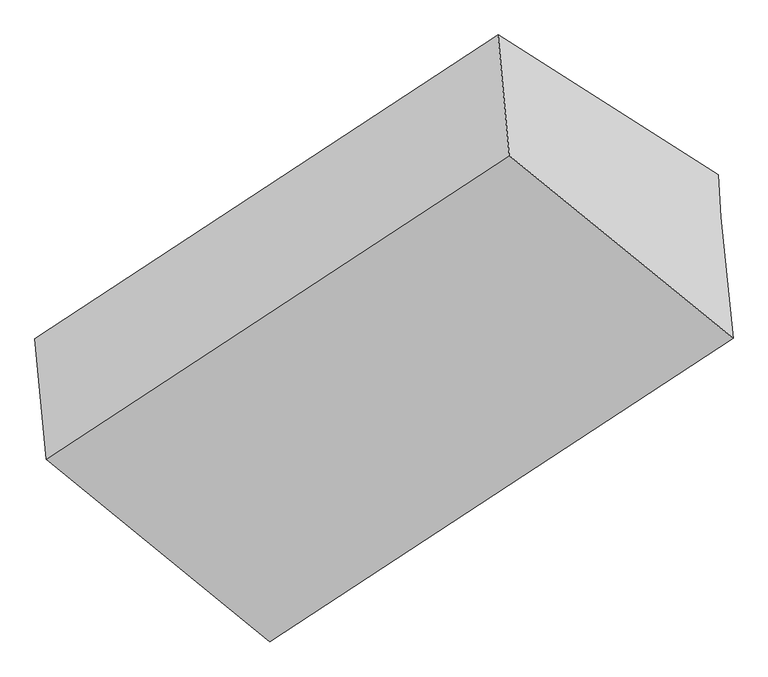
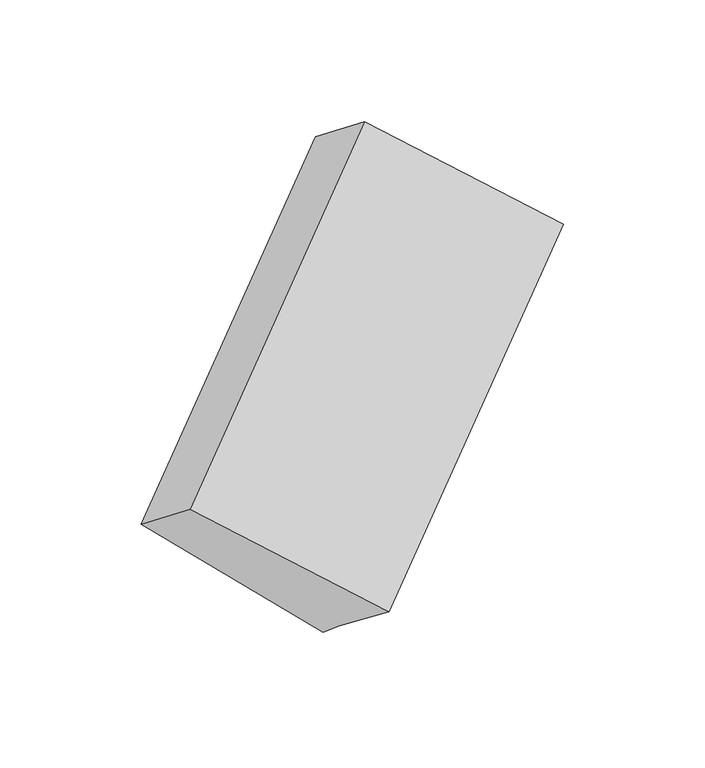
"""IFC4 building model written with IfcOpenShell, lengths in millimetres: proxy geometry."""

from ifc_helpers import new_model, si_unit, origin, place, context, project, spatial, faceted_brep, source, transform, mapped, element, save


def generic_models_48806f52(model_context):
    return source(origin(), model_context, "Body", "Brep", [
        faceted_brep([(-3854.6791964, -1584.6131489, 1588.9126295), (-3822.8181196, -1930.844256, 1863.0270532), (-2493.9942924, -1060.0848111, 2808.4214803), (-2525.8553692, -713.8537039, 2534.3070566), (-3223.2503288, -1985.0434996, 1070.2093237), (-1894.4265016, -1114.2840546, 2015.6037508), (-3216.2979751, -2107.3701027, 1173.1066849), (-1887.4741479, -1236.6106578, 2118.501112), (-3180.8622463, -2454.1157839, 1442.6706138), (-1852.0384191, -1583.3563389, 2388.0650409)], [[[0, 1, 2, 3]], [[4, 0, 5]], [[6, 4, 5, 7]], [[8, 6, 7, 9]], [[1, 8, 9, 2]], [[7, 5, 3, 2, 9]], [[1, 0, 4, 6, 8]], [[3, 5, 0]]]),
    ])


if __name__ == "__main__":
    model = new_model("IFC4")
    model_context = context("Model", 3, world=origin())
    ifc_project = project(units=[si_unit("LENGTHUNIT", "METRE", prefix="MILLI")], contexts=[model_context])
    site = spatial("IfcSite", under=ifc_project)
    building = spatial("IfcBuilding", under=site)
    placement = place(None, origin())
    generic_models_shape = generic_models_48806f52(model_context)
    element("IfcBuildingElementProxy", 1, Name="Generic Models", at=placement, inside=building, context=model_context, shape_type="MappedRepresentation", body=[
        mapped(generic_models_shape, transform((0.0, 0.0, 0.0), x_axis=(1.0, 0.0, 0.0), y_axis=(0.0, 1.0, 0.0), z_axis=(0.0, 0.0, 1.0))),
    ])
    save(model, "model.ifc")
